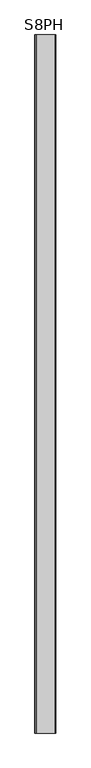
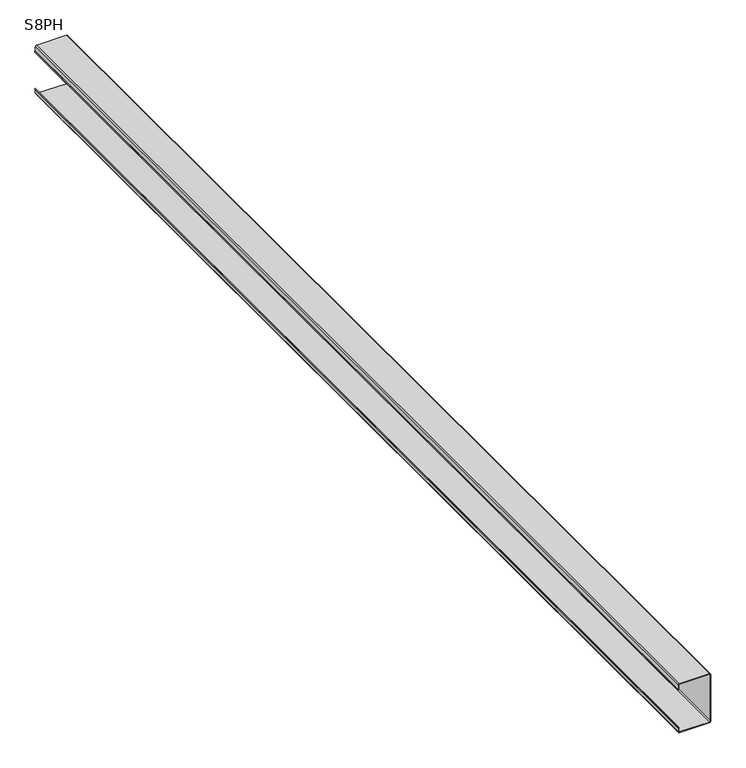
"""IFC4 building model written with IfcOpenShell, lengths in millimetres: proxy geometry, S8PH."""

from ifc_helpers import new_model, si_unit, point, frame, frame_2d, origin, place, context, project, spatial, polyline, circle_curve, trimmed, segment, composite_curve, outline, extrude, source, transform, mapped, element, save


def s8ph_e62f0494(model_context):
    return source(origin(), model_context, "Body", "SweptSolid", [
        extrude(outline(composite_curve([segment(trimmed(circle_curve(frame_2d((-14.2875001, -0.0211666)), 1.587641), [point((-14.2663333, 1.5663333))], [point((-15.875, 0.0))], True, "CARTESIAN"), True, "CONTINUOUS"), segment(polyline([(-15.875, 0.0), (-17.4413333, 0.0)]), True, "CONTINUOUS"), segment(trimmed(circle_curve(frame_2d((-14.2663333, 0.0)), 3.175), [point((-17.4413333, 0.0))], [point((-14.2663333, 3.175))], False, "CARTESIAN"), True, "CONTINUOUS"), segment(polyline([(-14.2663333, 3.175), (-3.175, 3.175)]), True, "CONTINUOUS"), segment(trimmed(circle_curve(frame_2d((-3.175, 4.7836667)), 1.6086667), [point((-3.175, 3.175))], [point((-1.5663333, 4.7836667))], True, "CARTESIAN"), True, "CONTINUOUS"), segment(polyline([(-1.5663333, 4.7836667), (-1.5663333, 85.725)]), True, "CONTINUOUS"), segment(trimmed(circle_curve(frame_2d((-4.7413333, 85.725)), 3.175), [point((-1.5663333, 85.725))], [point((-4.7413333, 88.9))], True, "CARTESIAN"), True, "CONTINUOUS"), segment(polyline([(-4.7413333, 88.9), (-134.9163333, 88.9)]), True, "CONTINUOUS"), segment(trimmed(circle_curve(frame_2d((-134.9163333, 85.6832713)), 3.2167287), [point((-134.9163333, 88.9))], [point((-138.0913333, 86.1997194))], True, "CARTESIAN"), True, "CONTINUOUS"), segment(polyline([(-138.0913333, 86.1997194), (-138.0913333, 5.0843317)]), True, "CONTINUOUS"), segment(trimmed(circle_curve(frame_2d((-136.5461668, 4.7201666)), 1.5874999), [point((-138.0913333, 5.0843317))], [point((-136.1820017, 3.175))], True, "CARTESIAN"), True, "CONTINUOUS"), segment(polyline([(-136.1820017, 3.175), (-125.3913333, 3.175)]), True, "CONTINUOUS"), segment(trimmed(circle_curve(frame_2d((-125.3913333, 0.0)), 3.175), [point((-125.3913333, 3.175))], [point((-122.2163333, 0.0))], False, "CARTESIAN"), True, "CONTINUOUS"), segment(polyline([(-122.2163333, 0.0), (-123.825, 0.0)]), True, "CONTINUOUS"), segment(trimmed(circle_curve(frame_2d((-125.3913333, 0.0)), 1.5663333), [point((-123.825, 0.0))], [point((-125.3913333, 1.5663333))], True, "CARTESIAN"), True, "CONTINUOUS"), segment(polyline([(-125.3913333, 1.5663333), (-136.525, 1.5663333)]), True, "CONTINUOUS"), segment(trimmed(circle_curve(frame_2d((-136.5566098, 4.7520597)), 3.1858832), [point((-136.525, 1.5663333))], [point((-139.7, 4.2334562))], False, "CARTESIAN"), True, "CONTINUOUS"), segment(polyline([(-139.7, 4.2334562), (-139.7, 85.7038336)]), True, "CONTINUOUS"), segment(trimmed(circle_curve(frame_2d((-134.9375003, 85.7038336)), 4.7624997), [point((-139.7, 85.7038336))], [point((-134.9375003, 90.4663333))], False, "CARTESIAN"), True, "CONTINUOUS"), segment(polyline([(-134.9375003, 90.4663333), (-4.7624997, 90.4663333)]), True, "CONTINUOUS"), segment(trimmed(circle_curve(frame_2d((-4.7624997, 85.7038336)), 4.7624997), [point((-4.7624997, 90.4663333))], [point((0.0, 85.7038336))], False, "CARTESIAN"), True, "CONTINUOUS"), segment(polyline([(0.0, 85.7038336), (0.0, 4.7414745)]), True, "CONTINUOUS"), segment(trimmed(circle_curve(frame_2d((-3.1751412, 4.7414745)), 3.1751412), [point((0.0, 4.7414745))], [point((-3.1751412, 1.5663333))], False, "CARTESIAN"), True, "CONTINUOUS"), segment(polyline([(-3.1751412, 1.5663333), (-14.2663333, 1.5663333)]), True, "CONTINUOUS")], self_intersect=False)), frame((0.0, -1141.4125, 0.0), z_axis=(0.0, 1.0, 0.0), x_axis=(0.0, 0.0, 1.0)), (0.0, 0.0, 1.0), 3021.0125),
    ])


if __name__ == "__main__":
    model = new_model("IFC4")
    model_context = context("Model", 3, world=origin())
    ifc_project = project(units=[si_unit("LENGTHUNIT", "METRE", prefix="MILLI")], contexts=[model_context])
    site = spatial("IfcSite", under=ifc_project)
    building = spatial("IfcBuilding", under=site)
    placement = place(None, origin())
    s8ph_shape = s8ph_e62f0494(model_context)
    element("IfcBuildingElementProxy", 1, Name="S8PH", ObjectType="S8PH", at=placement, inside=building, context=model_context, shape_type="MappedRepresentation", body=[
        mapped(s8ph_shape, transform((0.0, 0.0, 0.0), x_axis=(1.0, 0.0, 0.0), y_axis=(0.0, 1.0, 0.0), z_axis=(0.0, 0.0, 1.0))),
    ])
    save(model, "model.ifc")
